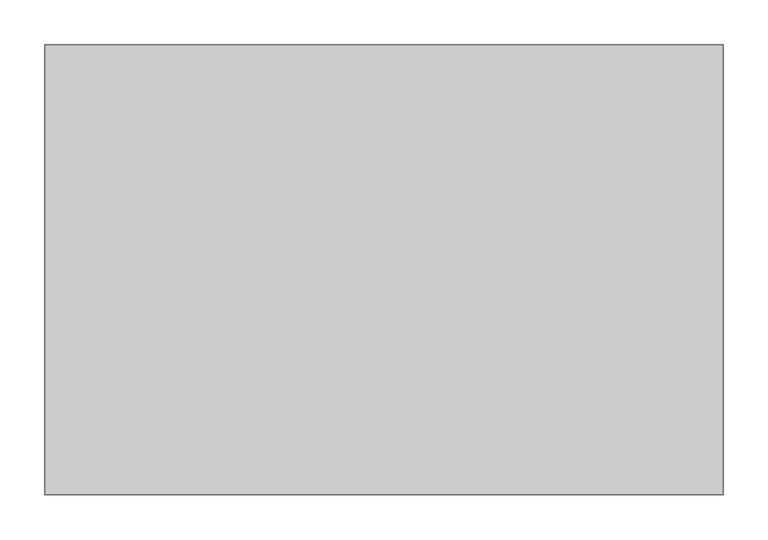
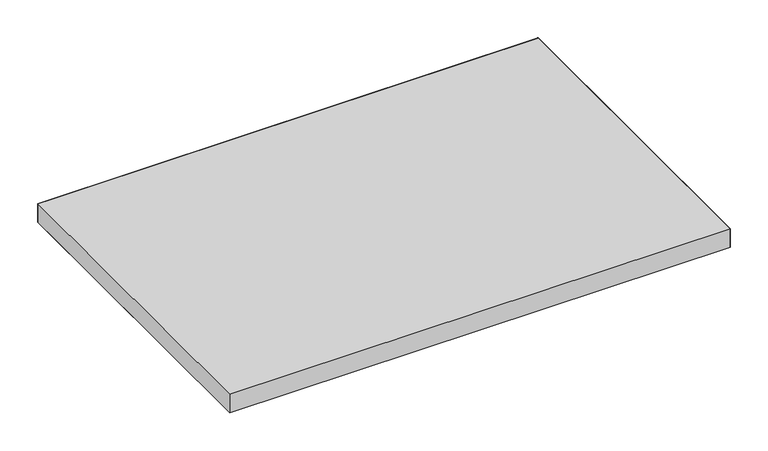
"""IFC4 building model written with IfcOpenShell, lengths in millimetres: furniture geometry."""

from ifc_helpers import new_model, si_unit, origin, place, context, project, spatial, triangles, source, transform, mapped, element, save


def furniture_00fa16a7(model_context):
    return source(origin(), model_context, "Body", "Tessellation", [
        triangles([(761.0475145, -1.524, 720.5980213), (761.0475145, -1.5239978, 690.4989864), (0.9525005, -1.5240005, 690.4989864), (0.9525005, -1.524, 720.5980213), (761.0475145, -506.3484899, 720.5980213), (761.0475145, -506.3484899, 690.4989864), (0.9525008, -506.3484899, 690.4989864), (0.9525008, -506.3484899, 720.5980213)], [[1, 2, 3], [1, 3, 4], [5, 6, 2], [5, 2, 1], [4, 3, 7], [4, 7, 8], [8, 7, 6], [8, 6, 5]], closed=False),
        triangles([(761.0475145, -1.5239978, 690.4989864), (761.0475145, -506.3484899, 690.4989864), (0.9525008, -506.3484899, 690.4989864), (0.9525005, -1.5240005, 690.4989864), (0.9525005, -1.524, 720.5980213), (0.9525008, -506.3484899, 720.5980213), (761.0475145, -506.3484899, 720.5980213), (761.0475145, -1.524, 720.5980213)], [[1, 2, 3], [1, 3, 4], [5, 6, 7], [5, 7, 8]], closed=False),
    ])


if __name__ == "__main__":
    model = new_model("IFC4")
    model_context = context("Model", 3, world=origin())
    ifc_project = project(units=[si_unit("LENGTHUNIT", "METRE", prefix="MILLI")], contexts=[model_context])
    site = spatial("IfcSite", under=ifc_project)
    building = spatial("IfcBuilding", under=site)
    placement = place(None, origin())
    furniture_shape = furniture_00fa16a7(model_context)
    element("IfcFurniture", 1, at=placement, inside=building, context=model_context, shape_type="MappedRepresentation", body=[
        mapped(furniture_shape, transform((0.0, 0.0, 0.0), x_axis=(1.0, 0.0, 0.0), y_axis=(0.0, 1.0, 0.0), z_axis=(0.0, 0.0, 1.0))),
    ])
    save(model, "model.ifc")
